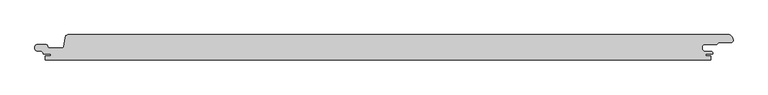
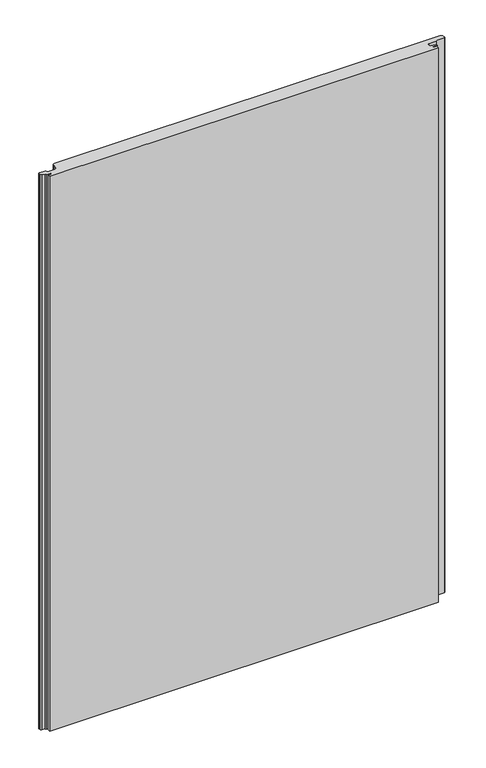
"""IFC4 building model written with IfcOpenShell, lengths in millimetres: proxy geometry."""

from ifc_helpers import new_model, si_unit, frame, origin, place, context, project, spatial, polyline, circle_curve, source, transform, mapped, element, save
from ifc_brep_helpers import plane_surface, cylinder_surface, revolved_surface, advanced_brep


def generic_models_5d3958c0(model_context):
    return source(origin(), model_context, "Body", "AdvancedBrep", [
        advanced_brep(
        [(484.3298107, 1.8000001, 1500.0), (486.8298083, 4.2999995, 1500.0), (505.4082234, 4.2999995, 1500.0), (508.408237, 7.3, 1500.0), (527.5001275, 7.3, 1500.0), (530.1174781, 10.8771031, 1500.0), (529.0259034, 15.1970619, 1500.0), (523.545754, 19.0, 1500.0), (-462.1258654, 19.0, 1500.0), (-467.2618449, 14.6134595, 1500.0), (-469.4007538, 1.108914, 1500.0), (-471.869975, -1.0000008, 1500.0), (-490.8699744, -1.0000008, 1500.0), (-493.3542541, 1.4766379, 1500.0), (-495.8890733, 4.0, 1500.0), (-509.1201818, 4.0, 1500.0), (-512.3201819, 0.8, 1500.0), (-512.3201819, -1.9741325, 1500.0), (-509.3990803, -5.1619547, 1500.0), (-502.1022925, -5.8003409, 1500.0), (-500.0, -9.2119514, 1500.0), (-500.0, -10.0000004, 1500.0), (-488.8201818, -10.0000004, 1500.0), (-488.8201818, -13.0, 1500.0), (-496.8201817, -13.0, 1500.0), (-496.8201817, -19.0, 1500.0), (497.1797973, -19.0, 1500.0), (497.1797973, -13.0, 1500.0), (489.1798407, -13.0, 1500.0), (489.1798407, -10.0000004, 1500.0), (499.9, -10.0000004, 1500.0), (499.9, -8.6411684, 1500.0), (498.354128, -6.2402726, 1500.0), (486.6119534, -5.2129632, 1500.0), (484.3298107, -2.7224763, 1500.0), (484.3298107, 1.8000001, 0.0), (484.3298107, -2.7224763, 0.0), (486.6119534, -5.2129632, 0.0), (498.354128, -6.2402726, 0.0), (499.9, -8.6411684, 0.0), (499.9, -10.0000004, 0.0), (489.1798407, -10.0000004, 0.0), (489.1798407, -13.0, 0.0), (497.1797973, -13.0, 0.0), (497.1797973, -19.0, 0.0), (-496.8201817, -19.0, 0.0), (-496.8201817, -13.0, 0.0), (-488.8201818, -13.0, 0.0), (-488.8201818, -10.0000004, 0.0), (-500.0, -10.0000004, 0.0), (-500.0, -9.2119514, 0.0), (-502.1022925, -5.8003409, 0.0), (-509.3990803, -5.1619547, 0.0), (-512.3201819, -1.9741325, 0.0), (-512.3201819, 0.8, 0.0), (-509.1201818, 4.0, 0.0), (-495.8890733, 4.0, 0.0), (-493.4041499, 1.4803363, 0.0), (-490.8699744, -1.0000008, 0.0), (-471.869975, -1.0000008, 0.0), (-469.4007538, 1.108914, 0.0), (-467.2618449, 14.6134595, 0.0), (-462.1258654, 19.0, 0.0), (523.545754, 19.0, 0.0), (529.0259034, 15.1970619, 0.0), (530.1174781, 10.8771031, 0.0), (527.5001275, 7.3, 0.0), (508.408237, 7.3, 0.0), (505.4082234, 4.2999995, 0.0), (486.8298083, 4.2999995, 0.0)],
        [
            (0, 1, circle_curve(frame((486.8260066, 1.8038036, 1500.0), z_axis=(0.0, 0.0, -1.0), x_axis=(1.0, 0.0, 0.0)), 2.4961988)),
            (1, 2),
            (2, 3),
            (3, 4),
            (4, 5, circle_curve(frame((527.1899828, 10.273035, 1500.0), z_axis=(0.0, 0.0, 1.0), x_axis=(1.0, 0.0, 0.0)), 2.9891683)),
            (5, 6),
            (6, 7, circle_curve(frame((523.545754, 13.15, 1500.0), z_axis=(0.0, 0.0, 1.0), x_axis=(1.0, 0.0, 0.0)), 5.85)),
            (7, 8),
            (8, 9, circle_curve(frame((-462.186788, 13.871331, 1500.0), z_axis=(0.0, 0.0, 1.0), x_axis=(1.0, 0.0, 0.0)), 5.1290309)),
            (9, 10),
            (10, 11, circle_curve(frame((-471.8642031, 1.4932414, 1500.0), z_axis=(0.0, 0.0, -1.0), x_axis=(1.0, 0.0, 0.0)), 2.4932489)),
            (11, 12),
            (12, 13, circle_curve(frame((-491.0480249, 1.3056909, 1500.0), z_axis=(0.0, 0.0, -1.0), x_axis=(1.0, 0.0, 0.0)), 2.3125562)),
            (13, 14, circle_curve(frame((-495.7478996, 1.6540644, 1500.0), z_axis=(0.0, 0.0, 1.0), x_axis=(1.0, 0.0, 0.0)), 2.3501795)),
            (14, 15),
            (15, 16, circle_curve(frame((-509.1681836, 0.8480017, 1500.0), z_axis=(0.0, 0.0, 1.0), x_axis=(1.0, 0.0, 0.0)), 3.1523638)),
            (16, 17),
            (17, 18, circle_curve(frame((-509.0519935, -1.9116485, 1500.0), z_axis=(0.0, 0.0, 1.0), x_axis=(1.0, 0.0, 0.0)), 3.2687857)),
            (18, 19),
            (19, 20, circle_curve(frame((-503.8193353, -9.2119514, 1500.0), z_axis=(0.0, 0.0, -1.0), x_axis=(1.0, 0.0, 0.0)), 3.8193353)),
            (20, 21),
            (21, 22),
            (22, 23),
            (23, 24),
            (24, 25),
            (25, 26),
            (26, 27),
            (27, 28),
            (28, 29),
            (29, 30),
            (30, 31),
            (31, 32, circle_curve(frame((497.0478272, -8.7794849, 1500.0), z_axis=(0.0, 0.0, 1.0), x_axis=(1.0, 0.0, 0.0)), 2.8555247)),
            (32, 33),
            (33, 34, circle_curve(frame((487.1582199, -2.4215379, 1500.0), z_axis=(0.0, 0.0, -1.0), x_axis=(1.0, 0.0, 0.0)), 2.8443739)),
            (34, 0),
            (35, 36),
            (36, 37, circle_curve(frame((487.1582199, -2.4215379, 0.0), z_axis=(0.0, 0.0, 1.0), x_axis=(1.0, 0.0, 0.0)), 2.8443739)),
            (37, 38),
            (38, 39, circle_curve(frame((497.0478272, -8.7794849, 0.0), z_axis=(0.0, 0.0, -1.0), x_axis=(1.0, 0.0, 0.0)), 2.8555247)),
            (39, 40),
            (40, 41),
            (41, 42),
            (42, 43),
            (43, 44),
            (44, 45),
            (45, 46),
            (46, 47),
            (47, 48),
            (48, 49),
            (49, 50),
            (50, 51, circle_curve(frame((-503.8193353, -9.2119514, 0.0), z_axis=(0.0, 0.0, 1.0), x_axis=(1.0, 0.0, 0.0)), 3.8193353)),
            (51, 52),
            (52, 53, circle_curve(frame((-509.0519935, -1.9116485, 0.0), z_axis=(0.0, 0.0, -1.0), x_axis=(1.0, 0.0, 0.0)), 3.2687857)),
            (53, 54),
            (54, 55, circle_curve(frame((-509.1681836, 0.8480017, 0.0), z_axis=(0.0, 0.0, -1.0), x_axis=(1.0, 0.0, 0.0)), 3.1523638)),
            (55, 56),
            (56, 57, circle_curve(frame((-495.7478996, 1.6540644, 0.0), z_axis=(0.0, 0.0, -1.0), x_axis=(1.0, 0.0, 0.0)), 2.3501795)),
            (57, 58, circle_curve(frame((-491.0480249, 1.3056909, 0.0), z_axis=(0.0, 0.0, 1.0), x_axis=(1.0, 0.0, 0.0)), 2.3125562)),
            (58, 59),
            (59, 60, circle_curve(frame((-471.8642031, 1.4932414, 0.0), z_axis=(0.0, 0.0, 1.0), x_axis=(1.0, 0.0, 0.0)), 2.4932489)),
            (60, 61),
            (61, 62, circle_curve(frame((-462.186788, 13.871331, 0.0), z_axis=(0.0, 0.0, -1.0), x_axis=(1.0, 0.0, 0.0)), 5.1290309)),
            (62, 63),
            (63, 64, circle_curve(frame((523.545754, 13.15, 0.0), z_axis=(0.0, 0.0, -1.0), x_axis=(1.0, 0.0, 0.0)), 5.85)),
            (64, 65),
            (65, 66, circle_curve(frame((527.1899828, 10.273035, 0.0), z_axis=(0.0, 0.0, -1.0), x_axis=(1.0, 0.0, 0.0)), 2.9891683)),
            (66, 67),
            (67, 68),
            (68, 69),
            (69, 35, circle_curve(frame((486.8260066, 1.8038036, 0.0), z_axis=(0.0, 0.0, 1.0), x_axis=(1.0, 0.0, 0.0)), 2.4961988)),
            (31, 39),
            (38, 32),
            (0, 35),
            (69, 1),
            (68, 2),
            (67, 3),
            (66, 4),
            (65, 5),
            (64, 6),
            (63, 7),
            (62, 8),
            (61, 9),
            (60, 10),
            (59, 11),
            (58, 12),
            (57, 13),
            (56, 14),
            (55, 15),
            (54, 16),
            (53, 17),
            (52, 18),
            (51, 19),
            (50, 20),
            (49, 21),
            (48, 22),
            (47, 23),
            (46, 24),
            (45, 25),
            (44, 26),
            (43, 27),
            (42, 28),
            (41, 29),
            (40, 30),
            (37, 33),
            (36, 34),
        ],
        [
            plane_surface(frame((489.3222054, 1.8038036, 1500.0), z_axis=(0.0, 0.0, 1.0), x_axis=(0.0, -1.0, 0.0))),
            plane_surface(frame((489.3222054, 1.8038036, 0.0), z_axis=(0.0, 0.0, -1.0), x_axis=(0.0, 1.0, 0.0))),
            cylinder_surface(frame((497.0478272, -8.7794849, 0.0), z_axis=(0.0, 0.0, 1.0), x_axis=(1.0, 0.0, 0.0)), 2.8555247),
            revolved_surface(polyline([(489.32220540000003, 1.8038036, 0.0), (489.32220540000003, 1.8038036, 1500.0)]), (486.8260066, 1.8038036, 0.0), (0.0, 0.0, -1.0)),
            plane_surface(frame((486.8298083, 4.2999995, 1500.0), z_axis=(0.0, -1.0, 0.0), x_axis=(0.0, 0.0, -1.0))),
            plane_surface(frame((505.4082234, 4.2999995, 1500.0), z_axis=(0.7071052289837289, -0.707108333385959, 0.0), x_axis=(0.0, 0.0, -1.0))),
            plane_surface(frame((508.408237, 7.3, 1500.0), z_axis=(0.0, -1.0, 0.0), x_axis=(0.0, 0.0, -1.0))),
            cylinder_surface(frame((527.1899828, 10.273035, 0.0), z_axis=(0.0, 0.0, 1.0), x_axis=(1.0, 0.0, 0.0)), 2.9891683),
            plane_surface(frame((530.1174781, 10.8771031, 1500.0), z_axis=(0.9695276443999398, 0.24498193146496328, 0.0), x_axis=(0.0, 0.0, -1.0))),
            cylinder_surface(frame((523.545754, 13.15, 0.0), z_axis=(0.0, 0.0, 1.0), x_axis=(1.0, 0.0, 0.0)), 5.85),
            plane_surface(frame((523.545754, 19.0, 1500.0), z_axis=(0.0, 1.0, 0.0), x_axis=(0.0, 0.0, -1.0))),
            cylinder_surface(frame((-462.186788, 13.871331, 0.0), z_axis=(0.0, 0.0, 1.0), x_axis=(1.0, 0.0, 0.0)), 5.1290309),
            plane_surface(frame((-467.2618449, 14.6134595, 1500.0), z_axis=(-0.9876883510848851, 0.15643439881055846, 0.0), x_axis=(0.0, 0.0, -1.0))),
            revolved_surface(polyline([(-469.37095419999997, 1.4932414, 0.0), (-469.37095419999997, 1.4932414, 1500.0)]), (-471.8642031, 1.4932414, 0.0), (0.0, 0.0, -1.0)),
            plane_surface(frame((-471.869975, -1.0000008, 1500.0), z_axis=(0.0, 1.0, 0.0), x_axis=(0.0, 0.0, -1.0))),
            revolved_surface(polyline([(-488.73546869999996, 1.3056909, 0.0), (-488.73546869999996, 1.3056909, 1500.0)]), (-491.0480249, 1.3056909, 0.0), (0.0, 0.0, -1.0)),
            cylinder_surface(frame((-495.7478996, 1.6540644, 0.0), z_axis=(0.0, 0.0, 1.0), x_axis=(1.0, 0.0, 0.0)), 2.3501795),
            plane_surface(frame((-495.8890733, 4.0, 1500.0), z_axis=(0.0, 1.0, 0.0), x_axis=(0.0, 0.0, -1.0))),
            cylinder_surface(frame((-509.1681836, 0.8480017, 0.0), z_axis=(0.0, 0.0, 1.0), x_axis=(1.0, 0.0, 0.0)), 3.1523638),
            plane_surface(frame((-512.3201819, 0.8, 1500.0), z_axis=(-1.0, 0.0, 0.0), x_axis=(0.0, 0.0, -1.0))),
            cylinder_surface(frame((-509.0519935, -1.9116485, 0.0), z_axis=(0.0, 0.0, 1.0), x_axis=(1.0, 0.0, 0.0)), 3.2687857),
            plane_surface(frame((-509.3990803, -5.1619547, 1500.0), z_axis=(-0.08715574563482881, -0.9961946978391508, 0.0), x_axis=(0.0, 0.0, -1.0))),
            revolved_surface(polyline([(-500.0, -9.2119514, 0.0), (-500.0, -9.2119514, 1500.0)]), (-503.8193353, -9.2119514, 0.0), (0.0, 0.0, -1.0)),
            plane_surface(frame((-500.0, -9.2119514, 1500.0), z_axis=(-1.0, 0.0, 0.0), x_axis=(0.0, 0.0, -1.0))),
            plane_surface(frame((-500.0, -10.0000004, 1500.0), z_axis=(0.0, -1.0, 0.0), x_axis=(0.0, 0.0, -1.0))),
            plane_surface(frame((-488.8201818, -10.0000004, 1500.0), z_axis=(-1.0, 0.0, 0.0), x_axis=(0.0, 0.0, -1.0))),
            plane_surface(frame((-488.8201818, -13.0, 1500.0), z_axis=(0.0, 1.0, 0.0), x_axis=(0.0, 0.0, -1.0))),
            plane_surface(frame((-496.8201817, -13.0, 1500.0), z_axis=(-1.0, 0.0, 0.0), x_axis=(0.0, 0.0, -1.0))),
            plane_surface(frame((-496.8201817, -19.0, 1500.0), z_axis=(0.0, -1.0, 0.0), x_axis=(0.0, 0.0, -1.0))),
            plane_surface(frame((497.1797973, -19.0, 1500.0), z_axis=(1.0, 0.0, 0.0), x_axis=(0.0, 0.0, -1.0))),
            plane_surface(frame((497.1797973, -13.0, 1500.0), z_axis=(0.0, 1.0, 0.0), x_axis=(0.0, 0.0, -1.0))),
            plane_surface(frame((489.1798407, -13.0, 1500.0), z_axis=(1.0, 0.0, 0.0), x_axis=(0.0, 0.0, -1.0))),
            plane_surface(frame((489.1798407, -10.0000004, 1500.0), z_axis=(0.0, -1.0, 0.0), x_axis=(0.0, 0.0, -1.0))),
            plane_surface(frame((499.9, -10.0000004, 1500.0), z_axis=(1.0, 0.0, 0.0), x_axis=(0.0, 0.0, -1.0))),
            plane_surface(frame((498.354128, -6.2402726, 1500.0), z_axis=(0.08715592552603066, 0.9961946821006932, 0.0), x_axis=(0.0, 0.0, -1.0))),
            revolved_surface(polyline([(490.0025938, -2.4215379, 0.0), (490.0025938, -2.4215379, 1500.0)]), (487.1582199, -2.4215379, 0.0), (0.0, 0.0, -1.0)),
            plane_surface(frame((484.3298107, -2.7224763, 1500.0), z_axis=(1.0, 0.0, 0.0), x_axis=(0.0, 0.0, -1.0))),
        ],
        [
            (0, [[1, 2, 3, 4, 5, 6, 7, 8, 9, 10, 11, 12, 13, 14, 15, 16, 17, 18, 19, 20, 21, 22, 23, 24, 25, 26, 27, 28, 29, 30, 31, 32, 33, 34, 35]]),
            (1, [[36, 37, 38, 39, 40, 41, 42, 43, 44, 45, 46, 47, 48, 49, 50, 51, 52, 53, 54, 55, 56, 57, 58, 59, 60, 61, 62, 63, 64, 65, 66, 67, 68, 69, 70]]),
            (2, [[-32, 71, -39, 72]]),
            (3, [[-1, 73, -70, 74]]),
            (4, [[-2, -74, -69, 75]]),
            (5, [[-3, -75, -68, 76]]),
            (6, [[-4, -76, -67, 77]]),
            (7, [[-5, -77, -66, 78]]),
            (8, [[-6, -78, -65, 79]]),
            (9, [[-7, -79, -64, 80]]),
            (10, [[-8, -80, -63, 81]]),
            (11, [[-9, -81, -62, 82]]),
            (12, [[-10, -82, -61, 83]]),
            (13, [[-11, -83, -60, 84]]),
            (14, [[-12, -84, -59, 85]]),
            (15, [[-13, -85, -58, 86]]),
            (16, [[-14, -86, -57, 87]]),
            (17, [[-15, -87, -56, 88]]),
            (18, [[-16, -88, -55, 89]]),
            (19, [[-17, -89, -54, 90]]),
            (20, [[-18, -90, -53, 91]]),
            (21, [[-19, -91, -52, 92]]),
            (22, [[-20, -92, -51, 93]]),
            (23, [[-21, -93, -50, 94]]),
            (24, [[-22, -94, -49, 95]]),
            (25, [[-23, -95, -48, 96]]),
            (26, [[-24, -96, -47, 97]]),
            (27, [[-25, -97, -46, 98]]),
            (28, [[-26, -98, -45, 99]]),
            (29, [[-27, -99, -44, 100]]),
            (30, [[-28, -100, -43, 101]]),
            (31, [[-29, -101, -42, 102]]),
            (32, [[-30, -102, -41, 103]]),
            (33, [[-31, -103, -40, -71]]),
            (34, [[-33, -72, -38, 104]]),
            (35, [[-34, -104, -37, 105]]),
            (36, [[-35, -105, -36, -73]]),
        ],
    ),
    ])


if __name__ == "__main__":
    model = new_model("IFC4")
    model_context = context("Model", 3, world=origin())
    ifc_project = project(units=[si_unit("LENGTHUNIT", "METRE", prefix="MILLI")], contexts=[model_context])
    site = spatial("IfcSite", under=ifc_project)
    building = spatial("IfcBuilding", under=site)
    placement = place(None, origin())
    generic_models_shape = generic_models_5d3958c0(model_context)
    element("IfcBuildingElementProxy", 1, Name="Generic Models", at=placement, inside=building, context=model_context, shape_type="MappedRepresentation", body=[
        mapped(generic_models_shape, transform((0.0, 0.0, 0.0), x_axis=(1.0, 0.0, 0.0), y_axis=(0.0, 1.0, 0.0), z_axis=(0.0, 0.0, 1.0))),
    ])
    save(model, "model.ifc")
